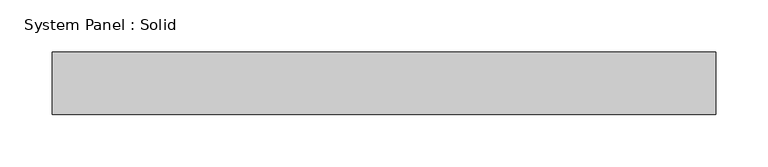
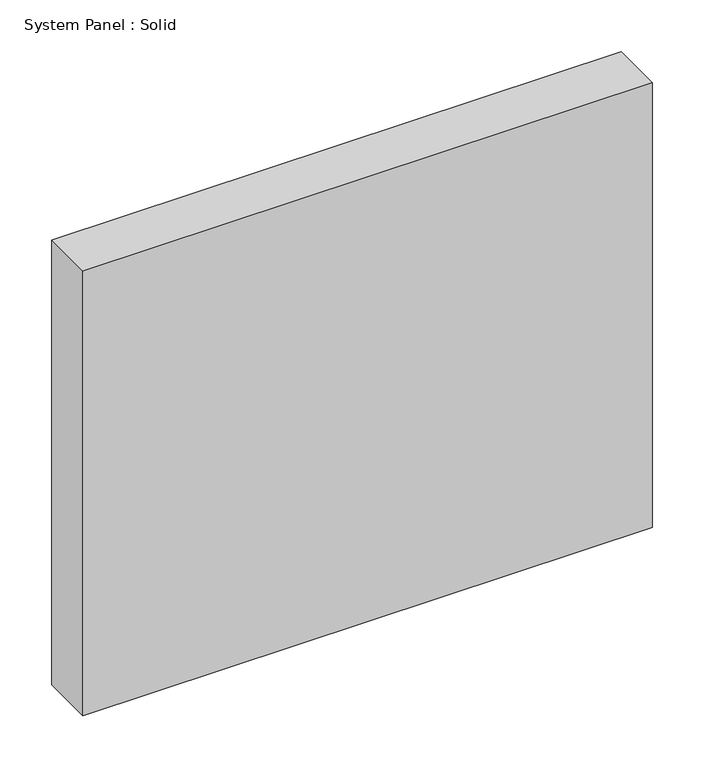
"""IFC4 building model written with IfcOpenShell, lengths in millimetres: plate geometry, System Panel : Solid."""

from ifc_helpers import new_model, si_unit, origin, origin_with_axes, place, context, project, spatial, polyline, outline, extrude, source, transform, mapped, element, save


def system_panel_solid_fdfdaa63(model_context):
    return source(origin(), model_context, "Body", "SweptSolid", [
        extrude(outline(polyline([(317.6681852, -49.5), (-317.6681852, -49.5), (-317.6681852, 10.5), (317.6681852, 10.5), (317.6681852, -49.5)])), origin_with_axes(), (0.0, 0.0, 1.0), 525.0),
    ])


if __name__ == "__main__":
    model = new_model("IFC4")
    model_context = context("Model", 3, world=origin())
    ifc_project = project(units=[si_unit("LENGTHUNIT", "METRE", prefix="MILLI")], contexts=[model_context])
    site = spatial("IfcSite", under=ifc_project)
    building = spatial("IfcBuilding", under=site)
    placement = place(None, origin())
    system_panel_solid_shape = system_panel_solid_fdfdaa63(model_context)
    element("IfcPlate", 1, ObjectType="System Panel : Solid", at=placement, inside=building, context=model_context, shape_type="MappedRepresentation", body=[
        mapped(system_panel_solid_shape, transform((0.0, 0.0, 0.0), x_axis=(1.0, 0.0, 0.0), y_axis=(0.0, 1.0, 0.0), z_axis=(0.0, 0.0, 1.0))),
    ])
    save(model, "model.ifc")
